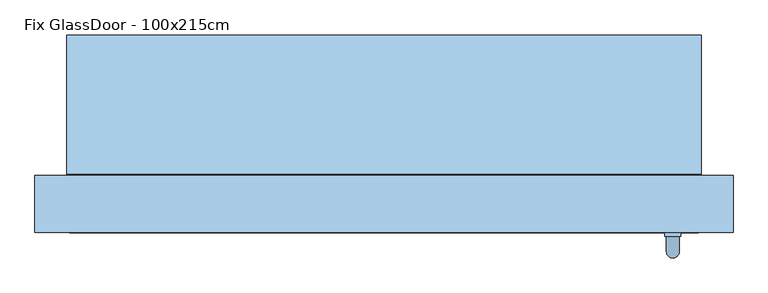
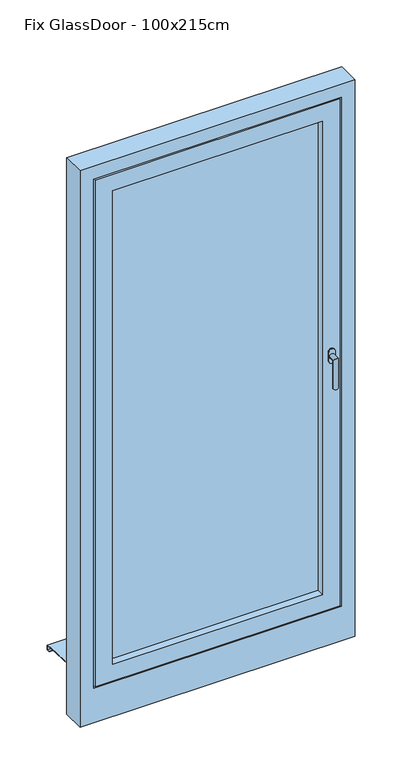
"""IFC4 building model written with IfcOpenShell, lengths in millimetres: window geometry, Fix GlassDoor - 100x215cm."""

from ifc_helpers import new_model, si_unit, frame, origin, place, context, project, spatial, polyline, circle_curve, ellipse_curve, outline, extrude, faceted_brep, source, transform, mapped, element, save
from ifc_brep_helpers import plane_surface, cylinder_surface, advanced_brep


def fix_glassdoor_100x215cm_34300091(model_context):
    return source(origin(), model_context, "Body", "SolidModel", [
        advanced_brep(
        [(442.5, 10.0, 1087.5), (467.5, 10.0, 1087.5), (467.5, 10.0, 1070.0), (467.5, 10.0, 1052.5), (442.5, 10.0, 1052.5), (442.5, 10.0, 1070.0), (465.0, -20.0, 1070.0), (465.0, 4.0, 1070.0), (445.0, 4.0, 1070.0), (445.0, -20.0, 1070.0), (465.0, -20.0, 950.0), (445.0, -20.0, 950.0), (442.5, 4.0, 1087.5), (442.5, 4.0, 1070.0), (442.5, 4.0, 1052.5), (467.5, 4.0, 1052.5), (467.5, 4.0, 1070.0), (467.5, 4.0, 1087.5)],
        [
            (0, 1, circle_curve(frame((455.0, 10.0, 1087.5), z_axis=(0.0, 1.0, 0.0), x_axis=(-1.0, 0.0, 0.0)), 12.5)),
            (1, 2),
            (2, 3),
            (3, 4, circle_curve(frame((455.0, 10.0, 1052.5), z_axis=(0.0, 1.0, 0.0), x_axis=(-1.0, 0.0, 0.0)), 12.5)),
            (4, 5),
            (5, 0),
            (6, 7),
            (7, 8, circle_curve(frame((455.0, 4.0, 1070.0), z_axis=(0.0, -1.0, 0.0), x_axis=(-1.0, 0.0, 0.0)), 10.0)),
            (8, 9),
            (9, 6, ellipse_curve(frame((455.0, -20.0, 1070.0), z_axis=(0.0, 0.7071067811865498, 0.7071067811865451), x_axis=(0.0, 0.7071067811865452, -0.7071067811865497)), 14.1421356, 10.0)),
            (8, 7, circle_curve(frame((455.0, 4.0, 1070.0), z_axis=(0.0, -1.0, 0.0), x_axis=(-1.0, 0.0, 0.0)), 10.0)),
            (6, 9, ellipse_curve(frame((455.0, -20.0, 1070.0), z_axis=(0.0, 0.7071067811865498, 0.7071067811865451), x_axis=(0.0, 0.7071067811865452, -0.7071067811865497)), 14.1421356, 10.0)),
            (10, 11, circle_curve(frame((455.0, -20.0, 950.0), z_axis=(0.0, 0.0, -1.0), x_axis=(-1.0, 0.0, 0.0)), 10.0)),
            (11, 10, circle_curve(frame((455.0, -20.0, 950.0), z_axis=(0.0, 0.0, -1.0), x_axis=(-1.0, 0.0, 0.0)), 10.0)),
            (9, 11),
            (10, 6),
            (12, 13),
            (13, 14),
            (14, 15, circle_curve(frame((455.0, 4.0, 1052.5), z_axis=(0.0, -1.0, 0.0), x_axis=(-1.0, 0.0, 0.0)), 12.5)),
            (15, 16),
            (16, 17),
            (17, 12, circle_curve(frame((455.0, 4.0, 1087.5), z_axis=(0.0, -1.0, 0.0), x_axis=(-1.0, 0.0, 0.0)), 12.5)),
            (17, 1),
            (0, 12),
            (16, 2),
            (15, 3),
            (14, 4),
            (13, 5),
        ],
        [
            plane_surface(frame((455.0, 10.0, 1070.0), z_axis=(0.0, 1.0, 0.0), x_axis=(-1.0, 0.0, 0.0))),
            cylinder_surface(frame((455.0, 10.0, 1070.0), z_axis=(0.0, 1.0, 0.0), x_axis=(-1.0, 0.0, 0.0)), 10.0),
            plane_surface(frame((455.0, -20.0, 950.0), z_axis=(0.0, 0.0, -1.0), x_axis=(-1.0, 0.0, 0.0))),
            cylinder_surface(frame((455.0, -20.0, 1070.0), z_axis=(0.0, 0.0, 1.0), x_axis=(-1.0, 0.0, 0.0)), 10.0),
            plane_surface(frame((442.5, 4.0, 1087.5), z_axis=(0.0, -1.0, 0.0), x_axis=(0.0, 0.0, 1.0))),
            cylinder_surface(frame((455.0, 10.0, 1087.5), z_axis=(0.0, -1.0, 0.0), x_axis=(-1.0, 0.0, 0.0)), 12.5),
            plane_surface(frame((467.5, 4.0, 1087.5), z_axis=(1.0, 0.0, 0.0), x_axis=(0.0, 1.0, 0.0))),
            plane_surface(frame((467.5, 4.0, 1070.0), z_axis=(1.0, 0.0, 0.0), x_axis=(0.0, 1.0, 0.0))),
            cylinder_surface(frame((455.0, 10.0, 1052.5), z_axis=(0.0, -1.0, 0.0), x_axis=(-1.0, 0.0, 0.0)), 12.5),
            plane_surface(frame((442.5, 4.0, 1052.5), z_axis=(-1.0, 0.0, 0.0), x_axis=(0.0, 1.0, 0.0))),
            plane_surface(frame((442.5, 4.0, 1070.0), z_axis=(-1.0, 0.0, 0.0), x_axis=(0.0, 1.0, 0.0))),
        ],
        [
            (0, [[1, 2, 3, 4, 5, 6]]),
            (1, [[7, 8, 9, 10]]),
            (1, [[-9, 11, -7, 12]]),
            (2, [[13, 14]]),
            (3, [[15, -13, 16, -10]]),
            (3, [[-16, -14, -15, -12]]),
            (4, [[17, 18, 19, 20, 21, 22], [-11, -8]]),
            (5, [[23, -1, 24, -22]]),
            (6, [[25, -2, -23, -21]]),
            (7, [[26, -3, -25, -20]]),
            (8, [[27, -4, -26, -19]]),
            (9, [[28, -5, -27, -18]]),
            (10, [[-24, -6, -28, -17]]),
        ],
    ),
        faceted_brep([(-420.0, 10.0, 2070.0), (-420.0, 10.0, 70.0), (-420.0, 100.0, 70.0), (-420.0, 100.0, 2070.0), (-450.0, 100.0, 40.0), (-450.0, 100.0, 2100.0), (450.0, 100.0, 2100.0), (450.0, 100.0, 40.0), (420.0, 100.0, 70.0), (420.0, 100.0, 2070.0), (420.0, 10.0, 70.0), (-490.0, 10.0, 2140.0), (-490.0, 10.0, 0.0), (490.0, 10.0, 0.0), (490.0, 10.0, 2140.0), (420.0, 10.0, 2070.0), (-490.0, 25.0, 2140.0), (-490.0, 25.0, 0.0), (490.0, 25.0, 0.0), (490.0, 25.0, 2140.0), (-475.0, 25.0, 2125.0), (-475.0, 25.0, 15.0), (475.0, 25.0, 15.0), (475.0, 25.0, 2125.0), (-475.0, 55.0, 2125.0), (-475.0, 55.0, 15.0), (475.0, 55.0, 15.0), (475.0, 55.0, 2125.0), (-465.0, 55.0, 2115.0), (-465.0, 55.0, 25.0), (465.0, 55.0, 25.0), (465.0, 55.0, 2115.0), (-465.0, 85.0, 2115.0), (-465.0, 85.0, 25.0), (465.0, 85.0, 25.0), (465.0, 85.0, 2115.0), (-450.0, 85.0, 2100.0), (-450.0, 85.0, 40.0), (450.0, 85.0, 40.0), (450.0, 85.0, 2100.0)], [[[0, 1, 2, 3]], [[4, 5, 6, 7], [3, 2, 8, 9]], [[1, 10, 8, 2]], [[11, 12, 13, 14], [1, 0, 15, 10]], [[16, 17, 12, 11]], [[17, 18, 13, 12]], [[17, 16, 19, 18], [20, 21, 22, 23]], [[24, 25, 21, 20]], [[25, 26, 22, 21]], [[25, 24, 27, 26], [28, 29, 30, 31]], [[32, 33, 29, 28]], [[33, 34, 30, 29]], [[33, 32, 35, 34], [36, 37, 38, 39]], [[5, 4, 37, 36]], [[4, 7, 38, 37]], [[10, 15, 9, 8]], [[18, 19, 14, 13]], [[26, 27, 23, 22]], [[34, 35, 31, 30]], [[7, 6, 39, 38]], [[15, 0, 3, 9]], [[19, 16, 11, 14]], [[27, 24, 20, 23]], [[35, 32, 28, 31]], [[6, 5, 36, 39]]]),
        extrude(outline(polyline([(-420.0, 85.0), (420.0, 85.0), (420.0, 41.0), (-420.0, 41.0), (-420.0, 85.0)])), frame((0.0, 0.0, 70.0), z_axis=(0.0, 0.0, 1.0), x_axis=(1.0, 0.0, 0.0)), (0.0, 0.0, 1.0), 2000.0),
        faceted_brep([(-500.0, 322.0, -9.0998752), (-500.0, 300.0, -7.9998752), (-500.0, 102.0, 1.9001248), (500.0, 102.0, 1.9001248), (500.0, 300.0, -7.9998752), (500.0, 322.0, -9.0998752), (-500.0, 322.0, -29.0998752), (500.0, 322.0, -29.0998752), (-500.0, 310.0, -29.0998752), (500.0, 310.0, -29.0998752), (-500.0, 310.0, -27.0998752), (500.0, 310.0, -27.0998752), (-500.0, 320.0, -27.0998752), (500.0, 320.0, -27.0998752), (-500.0, 320.0, -11.0), (500.0, 320.0, -11.0), (-500.0, 300.0, -10.0), (500.0, 300.0, -10.0), (500.0, 100.0, 0.0), (-500.0, 100.0, 0.0), (-500.0, 100.0, 20.0), (500.0, 100.0, 20.0), (-500.0, 102.0, 20.0), (500.0, 102.0, 20.0)], [[[0, 1, 2, 3, 4, 5]], [[6, 0, 5, 7]], [[8, 6, 7, 9]], [[10, 8, 9, 11]], [[12, 10, 11, 13]], [[14, 12, 13, 15]], [[16, 14, 15, 17, 18, 19]], [[20, 19, 18, 21]], [[22, 20, 21, 23]], [[2, 22, 23, 3]], [[16, 1, 0, 6, 8, 10, 12, 14]], [[17, 4, 3, 23, 21, 18]], [[1, 16, 19, 20, 22, 2]], [[4, 17, 15, 13, 11, 9, 7, 5]]]),
        faceted_brep([(550.0, 100.0, -150.0), (550.0, 10.0, -150.0), (-550.0, 10.0, -150.0), (-550.0, 100.0, -150.0), (550.0, 100.0, 2200.0), (550.0, 10.0, 2200.0), (-550.0, 10.0, 2200.0), (495.0, 10.0, 2145.0), (495.0, 10.0, -5.0), (-495.0, 10.0, -5.0), (-495.0, 10.0, 2145.0), (-550.0, 100.0, 2200.0), (455.0, 100.0, 35.0), (455.0, 100.0, 2105.0), (-455.0, 100.0, 2105.0), (-455.0, 100.0, 35.0), (455.0, 85.0, 35.0), (455.0, 85.0, 2105.0), (-455.0, 85.0, 35.0), (-455.0, 85.0, 2105.0), (495.0, 25.0, 2145.0), (495.0, 25.0, -5.0), (-495.0, 25.0, -5.0), (-495.0, 25.0, 2145.0), (480.0, 25.0, 2130.0), (480.0, 25.0, 10.0), (-480.0, 25.0, 10.0), (-480.0, 25.0, 2130.0), (480.0, 55.0, 10.0), (480.0, 55.0, 2130.0), (-480.0, 55.0, 2130.0), (-480.0, 55.0, 10.0), (470.0, 55.0, 2120.0), (470.0, 55.0, 20.0), (-470.0, 55.0, 20.0), (-470.0, 55.0, 2120.0), (470.0, 85.0, 20.0), (470.0, 85.0, 2120.0), (-470.0, 85.0, 2120.0), (-470.0, 85.0, 20.0)], [[[0, 1, 2, 3]], [[4, 5, 1, 0]], [[5, 6, 2, 1], [7, 8, 9, 10]], [[6, 11, 3, 2]], [[11, 4, 0, 3], [12, 13, 14, 15]], [[12, 16, 17, 13]], [[18, 15, 14, 19]], [[16, 12, 15, 18]], [[20, 21, 8, 7]], [[8, 21, 22, 9]], [[9, 22, 23, 10]], [[21, 20, 23, 22], [24, 25, 26, 27]], [[28, 29, 30, 31], [32, 33, 34, 35]], [[29, 28, 25, 24]], [[25, 28, 31, 26]], [[36, 37, 38, 39], [17, 16, 18, 19]], [[37, 36, 33, 32]], [[33, 36, 39, 34]], [[26, 31, 30, 27]], [[34, 39, 38, 35]], [[4, 11, 6, 5]], [[20, 7, 10, 23]], [[29, 24, 27, 30]], [[37, 32, 35, 38]], [[13, 17, 19, 14]]]),
    ])


if __name__ == "__main__":
    model = new_model("IFC4")
    model_context = context("Model", 3, world=origin())
    ifc_project = project(units=[si_unit("LENGTHUNIT", "METRE", prefix="MILLI")], contexts=[model_context])
    site = spatial("IfcSite", under=ifc_project)
    building = spatial("IfcBuilding", under=site)
    placement = place(None, origin())
    fix_glassdoor_100x215cm_shape = fix_glassdoor_100x215cm_34300091(model_context)
    element("IfcWindow", 1, ObjectType="Fix GlassDoor - 100x215cm", at=placement, inside=building, context=model_context, shape_type="MappedRepresentation", body=[
        mapped(fix_glassdoor_100x215cm_shape, transform((0.0, 0.0, 0.0), x_axis=(1.0, 0.0, 0.0), y_axis=(0.0, 1.0, 0.0), z_axis=(0.0, 0.0, 1.0))),
    ])
    save(model, "model.ifc")
